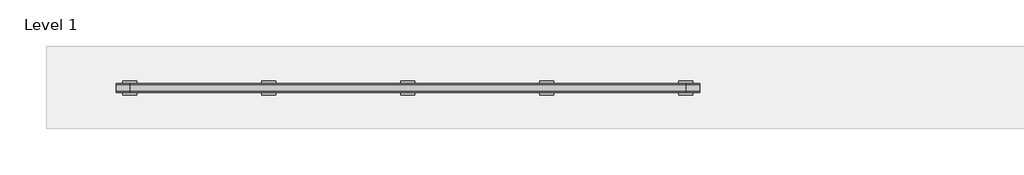
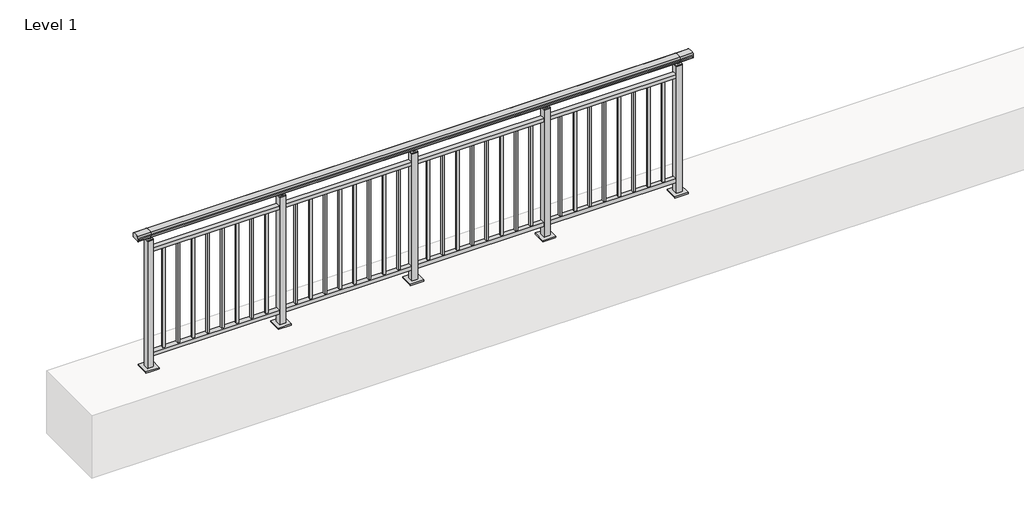
# One storey, part 8 of 64: 1 railing.
"""IFC4 building model written with IfcOpenShell, lengths in millimetres."""

from ifc_helpers import new_model, si_unit, frame, origin, origin_with_axes, place, context, project, spatial, polyline, circle_curve, outline, extrude, element, save
from ifc_brep_helpers import plane_surface, cylinder_surface, revolved_surface, advanced_brep

model = new_model("IFC4")

# Units and contexts
model_context = context("Model", 3, world=origin())
ifc_project = project(units=[si_unit("LENGTHUNIT", "METRE", prefix="MILLI")], contexts=[model_context])

# Site, building, storey
site = spatial("IfcSite", under=ifc_project)
building = spatial("IfcBuilding", under=site)
storey = spatial("IfcBuildingStorey", under=building, Name="Level 1", Elevation=0.0)

# Railing
placement = place(None, origin())
element("IfcRailing", 1, at=placement, inside=storey, context=model_context, shape_type="SolidModel", body=[
    advanced_brep(
    [(-100.0, 7715.3633756, 1095.6691182), (-100.0, 7720.1846828, 1081.1334092), (-100.0, 7719.2413744, 1069.2539035), (-100.0, 7721.1364177, 1061.4863007), (-100.0, 7719.4894799, 1060.384124), (-100.0, 7719.4894799, 1062.0), (-100.0, 7660.8798858, 1062.0), (-100.0, 7660.8798858, 1060.384124), (-100.0, 7659.232948, 1061.4863007), (-100.0, 7661.1279912, 1069.2539035), (-100.0, 7660.1846828, 1081.1334092), (-100.0, 7665.00599, 1095.6691182), (4100.0, 7715.3633756, 1095.6691182), (4100.0, 7665.00599, 1095.6691182), (4100.0, 7660.1846828, 1081.1334092), (4100.0, 7661.1279912, 1069.2539035), (4100.0, 7659.232948, 1061.4863007), (4100.0, 7660.8798858, 1060.384124), (4100.0, 7660.8798858, 1062.0), (4100.0, 7719.4894799, 1062.0), (4100.0, 7719.4894799, 1060.384124), (4100.0, 7721.1364177, 1061.4863007), (4100.0, 7719.2413744, 1069.2539035), (4100.0, 7720.1846828, 1081.1334092), (0.0, 7715.3633756, 1095.6691182), (0.0, 7720.1846828, 1081.1334092), (0.0, 7719.2413744, 1069.2539035), (0.0, 7721.1364177, 1061.4863007), (0.0, 7719.4894799, 1060.384124), (0.0, 7719.4894799, 1062.0), (0.0, 7660.8798858, 1062.0), (0.0, 7660.8798858, 1060.384124), (0.0, 7659.232948, 1061.4863007), (0.0, 7661.1279912, 1069.2539035), (0.0, 7660.1846828, 1081.1334092), (0.0, 7665.00599, 1095.6691182), (4000.0, 7715.3633756, 1095.6691182), (4000.0, 7720.1846828, 1081.1334092), (4000.0, 7719.2413744, 1069.2539035), (4000.0, 7721.1364177, 1061.4863007), (4000.0, 7719.4894799, 1060.384124), (4000.0, 7719.4894799, 1062.0), (4000.0, 7660.8798858, 1062.0), (4000.0, 7660.8798858, 1060.384124), (4000.0, 7659.232948, 1061.4863007), (4000.0, 7661.1279912, 1069.2539035), (4000.0, 7660.1846828, 1081.1334092), (4000.0, 7665.00599, 1095.6691182)],
    [
        (0, 1, circle_curve(frame((-100.0, 7712.1223845, 1086.526686), z_axis=(-1.0, 0.0, 0.0), x_axis=(0.0, -1.0, 0.0)), 9.6999015)),
        (1, 2, circle_curve(frame((-100.0, 7737.7252545, 1073.7633709), z_axis=(1.0, 0.0, 0.0), x_axis=(0.0, -1.0, 0.0)), 19.0260117)),
        (2, 3),
        (3, 4, circle_curve(frame((-100.0, 7720.2772073, 1060.9886194), z_axis=(-1.0, 0.0, 0.0), x_axis=(0.0, -1.0, 0.0)), 0.9929396)),
        (4, 5),
        (5, 6),
        (6, 7),
        (7, 8, circle_curve(frame((-100.0, 7660.0921584, 1060.9886194), z_axis=(-1.0, 0.0, 0.0), x_axis=(0.0, 1.0, 0.0)), 0.9929396)),
        (8, 9),
        (9, 10, circle_curve(frame((-100.0, 7642.6441111, 1073.7633709), z_axis=(1.0, 0.0, 0.0), x_axis=(0.0, 1.0, 0.0)), 19.0260117)),
        (10, 11, circle_curve(frame((-100.0, 7668.2469812, 1086.526686), z_axis=(-1.0, 0.0, 0.0), x_axis=(0.0, 1.0, 0.0)), 9.6999015)),
        (11, 0, circle_curve(frame((-100.0, 7690.1846828, 1024.6431628), z_axis=(-1.0, 0.0, 0.0), x_axis=(0.0, 1.0, 0.0)), 75.3568372)),
        (12, 13, circle_curve(frame((4100.0, 7690.1846828, 1024.6431628), z_axis=(1.0, 0.0, 0.0), x_axis=(0.0, 1.0, 0.0)), 75.3568372)),
        (13, 14, circle_curve(frame((4100.0, 7668.2469812, 1086.526686), z_axis=(1.0, 0.0, 0.0), x_axis=(0.0, 1.0, 0.0)), 9.6999015)),
        (14, 15, circle_curve(frame((4100.0, 7642.6441111, 1073.7633709), z_axis=(-1.0, 0.0, 0.0), x_axis=(0.0, 1.0, 0.0)), 19.0260117)),
        (15, 16),
        (16, 17, circle_curve(frame((4100.0, 7660.0921584, 1060.9886194), z_axis=(1.0, 0.0, 0.0), x_axis=(0.0, 1.0, 0.0)), 0.9929396)),
        (17, 18),
        (18, 19),
        (19, 20),
        (20, 21, circle_curve(frame((4100.0, 7720.2772073, 1060.9886194), z_axis=(1.0, 0.0, 0.0), x_axis=(0.0, -1.0, 0.0)), 0.9929396)),
        (21, 22),
        (22, 23, circle_curve(frame((4100.0, 7737.7252545, 1073.7633709), z_axis=(-1.0, 0.0, 0.0), x_axis=(0.0, -1.0, 0.0)), 19.0260117)),
        (23, 12, circle_curve(frame((4100.0, 7712.1223845, 1086.526686), z_axis=(1.0, 0.0, 0.0), x_axis=(0.0, -1.0, 0.0)), 9.6999015)),
        (0, 24),
        (24, 25, circle_curve(frame((0.0, 7712.1223845, 1086.526686), z_axis=(-1.0, 0.0, 0.0), x_axis=(0.0, -1.0, 0.0)), 9.6999015)),
        (25, 1),
        (25, 26, circle_curve(frame((0.0, 7737.7252545, 1073.7633709), z_axis=(1.0, 0.0, 0.0), x_axis=(0.0, -1.0, 0.0)), 19.0260117)),
        (26, 2),
        (26, 27),
        (27, 3),
        (27, 28, circle_curve(frame((0.0, 7720.2772073, 1060.9886194), z_axis=(-1.0, 0.0, 0.0), x_axis=(0.0, -1.0, 0.0)), 0.9929396)),
        (28, 4),
        (28, 29),
        (29, 5),
        (29, 30),
        (30, 6),
        (30, 31),
        (31, 7),
        (31, 32, circle_curve(frame((0.0, 7660.0921584, 1060.9886194), z_axis=(-1.0, 0.0, 0.0), x_axis=(0.0, 1.0, 0.0)), 0.9929396)),
        (32, 8),
        (32, 33),
        (33, 9),
        (33, 34, circle_curve(frame((0.0, 7642.6441111, 1073.7633709), z_axis=(1.0, 0.0, 0.0), x_axis=(0.0, 1.0, 0.0)), 19.0260117)),
        (34, 10),
        (34, 35, circle_curve(frame((0.0, 7668.2469812, 1086.526686), z_axis=(-1.0, 0.0, 0.0), x_axis=(0.0, 1.0, 0.0)), 9.6999015)),
        (35, 11),
        (35, 24, circle_curve(frame((0.0, 7690.1846828, 1024.6431628), z_axis=(-1.0, 0.0, 0.0), x_axis=(0.0, 1.0, 0.0)), 75.3568372)),
        (24, 36),
        (36, 37, circle_curve(frame((4000.0, 7712.1223845, 1086.526686), z_axis=(-1.0, 0.0, 0.0), x_axis=(0.0, -1.0, 0.0)), 9.6999015)),
        (37, 25),
        (37, 38, circle_curve(frame((4000.0, 7737.7252545, 1073.7633709), z_axis=(1.0, 0.0, 0.0), x_axis=(0.0, -1.0, 0.0)), 19.0260117)),
        (38, 26),
        (38, 39),
        (39, 27),
        (39, 40, circle_curve(frame((4000.0, 7720.2772073, 1060.9886194), z_axis=(-1.0, 0.0, 0.0), x_axis=(0.0, -1.0, 0.0)), 0.9929396)),
        (40, 28),
        (40, 41),
        (41, 29),
        (41, 42),
        (42, 30),
        (42, 43),
        (43, 31),
        (43, 44, circle_curve(frame((4000.0, 7660.0921584, 1060.9886194), z_axis=(-1.0, 0.0, 0.0), x_axis=(0.0, 1.0, 0.0)), 0.9929396)),
        (44, 32),
        (44, 45),
        (45, 33),
        (45, 46, circle_curve(frame((4000.0, 7642.6441111, 1073.7633709), z_axis=(1.0, 0.0, 0.0), x_axis=(0.0, 1.0, 0.0)), 19.0260117)),
        (46, 34),
        (46, 47, circle_curve(frame((4000.0, 7668.2469812, 1086.526686), z_axis=(-1.0, 0.0, 0.0), x_axis=(0.0, 1.0, 0.0)), 9.6999015)),
        (47, 35),
        (47, 36, circle_curve(frame((4000.0, 7690.1846828, 1024.6431628), z_axis=(-1.0, 0.0, 0.0), x_axis=(0.0, 1.0, 0.0)), 75.3568372)),
        (36, 12),
        (23, 37),
        (22, 38),
        (21, 39),
        (20, 40),
        (19, 41),
        (18, 42),
        (17, 43),
        (16, 44),
        (15, 45),
        (14, 46),
        (13, 47),
    ],
    [
        plane_surface(frame((-100.0, 7690.1846828, 1100.0), z_axis=(-1.0, 0.0, 0.0), x_axis=(0.0, 1.0, 0.0))),
        plane_surface(frame((4100.0, 7690.1846828, 1100.0), z_axis=(1.0, 0.0, 0.0), x_axis=(0.0, 1.0, 0.0))),
        cylinder_surface(frame((-100.0, 7712.1223845, 1086.526686), z_axis=(-1.0, 0.0, 0.0), x_axis=(0.0, -1.0, 0.0)), 9.6999015),
        revolved_surface(polyline([(0.0, 7718.6992428, 1073.7633709), (-100.0, 7718.6992428, 1073.7633709)]), (-100.0, 7737.7252545, 1073.7633709), (1.0, 0.0, 0.0)),
        plane_surface(frame((-100.0, 7719.2413744, 1069.2539035), z_axis=(0.0, 0.9715057689301543, 0.2370159086125439), x_axis=(1.0, 0.0, 0.0))),
        cylinder_surface(frame((-100.0, 7720.2772073, 1060.9886194), z_axis=(-1.0, 0.0, 0.0), x_axis=(0.0, -1.0, 0.0)), 0.9929396),
        plane_surface(frame((-100.0, 7719.4894799, 1060.384124), z_axis=(0.0, -1.0, 0.0), x_axis=(1.0, 0.0, 0.0))),
        plane_surface(frame((-100.0, 7719.4894799, 1062.0), z_axis=(0.0, 0.0, -1.0), x_axis=(1.0, 0.0, 0.0))),
        plane_surface(frame((-100.0, 7660.8798858, 1062.0), z_axis=(0.0, 1.0, 0.0), x_axis=(1.0, 0.0, 0.0))),
        cylinder_surface(frame((-100.0, 7660.0921584, 1060.9886194), z_axis=(-1.0, 0.0, 0.0), x_axis=(0.0, 1.0, 0.0)), 0.9929396),
        plane_surface(frame((-100.0, 7659.232948, 1061.4863007), z_axis=(0.0, -0.9715057689301543, 0.2370159086125439), x_axis=(1.0, 0.0, 0.0))),
        revolved_surface(polyline([(0.0, 7661.6701228, 1073.7633709), (-100.0, 7661.6701228, 1073.7633709)]), (-100.0, 7642.6441111, 1073.7633709), (1.0, 0.0, 0.0)),
        cylinder_surface(frame((-100.0, 7668.2469812, 1086.526686), z_axis=(-1.0, 0.0, 0.0), x_axis=(0.0, 1.0, 0.0)), 9.6999015),
        cylinder_surface(frame((-100.0, 7690.1846828, 1024.6431628), z_axis=(-1.0, 0.0, 0.0), x_axis=(0.0, 1.0, 0.0)), 75.3568372),
        cylinder_surface(frame((0.0, 7712.1223845, 1086.526686), z_axis=(-1.0, 0.0, 0.0), x_axis=(0.0, -1.0, 0.0)), 9.6999015),
        revolved_surface(polyline([(4000.0, 7718.6992428, 1073.7633709), (0.0, 7718.6992428, 1073.7633709)]), (0.0, 7737.7252545, 1073.7633709), (1.0, 0.0, 0.0)),
        plane_surface(frame((0.0, 7719.2413744, 1069.2539035), z_axis=(0.0, 0.9715057689301543, 0.2370159086125439), x_axis=(1.0, 0.0, 0.0))),
        cylinder_surface(frame((0.0, 7720.2772073, 1060.9886194), z_axis=(-1.0, 0.0, 0.0), x_axis=(0.0, -1.0, 0.0)), 0.9929396),
        plane_surface(frame((0.0, 7719.4894799, 1060.384124), z_axis=(0.0, -1.0, 0.0), x_axis=(1.0, 0.0, 0.0))),
        plane_surface(frame((0.0, 7719.4894799, 1062.0), z_axis=(0.0, 0.0, -1.0), x_axis=(1.0, 0.0, 0.0))),
        plane_surface(frame((0.0, 7660.8798858, 1062.0), z_axis=(0.0, 1.0, 0.0), x_axis=(1.0, 0.0, 0.0))),
        cylinder_surface(frame((0.0, 7660.0921584, 1060.9886194), z_axis=(-1.0, 0.0, 0.0), x_axis=(0.0, 1.0, 0.0)), 0.9929396),
        plane_surface(frame((0.0, 7659.232948, 1061.4863007), z_axis=(0.0, -0.9715057689301543, 0.2370159086125439), x_axis=(1.0, 0.0, 0.0))),
        revolved_surface(polyline([(4000.0, 7661.6701228, 1073.7633709), (0.0, 7661.6701228, 1073.7633709)]), (0.0, 7642.6441111, 1073.7633709), (1.0, 0.0, 0.0)),
        cylinder_surface(frame((0.0, 7668.2469812, 1086.526686), z_axis=(-1.0, 0.0, 0.0), x_axis=(0.0, 1.0, 0.0)), 9.6999015),
        cylinder_surface(frame((0.0, 7690.1846828, 1024.6431628), z_axis=(-1.0, 0.0, 0.0), x_axis=(0.0, 1.0, 0.0)), 75.3568372),
        cylinder_surface(frame((4000.0, 7712.1223845, 1086.526686), z_axis=(-1.0, 0.0, 0.0), x_axis=(0.0, -1.0, 0.0)), 9.6999015),
        revolved_surface(polyline([(4100.0, 7718.6992428, 1073.7633709), (4000.0, 7718.6992428, 1073.7633709)]), (4000.0, 7737.7252545, 1073.7633709), (1.0, 0.0, 0.0)),
        plane_surface(frame((4000.0, 7719.2413744, 1069.2539035), z_axis=(0.0, 0.9715057689301543, 0.2370159086125439), x_axis=(1.0, 0.0, 0.0))),
        cylinder_surface(frame((4000.0, 7720.2772073, 1060.9886194), z_axis=(-1.0, 0.0, 0.0), x_axis=(0.0, -1.0, 0.0)), 0.9929396),
        plane_surface(frame((4000.0, 7719.4894799, 1060.384124), z_axis=(0.0, -1.0, 0.0), x_axis=(1.0, 0.0, 0.0))),
        plane_surface(frame((4000.0, 7719.4894799, 1062.0), z_axis=(0.0, 0.0, -1.0), x_axis=(1.0, 0.0, 0.0))),
        plane_surface(frame((4000.0, 7660.8798858, 1062.0), z_axis=(0.0, 1.0, 0.0), x_axis=(1.0, 0.0, 0.0))),
        cylinder_surface(frame((4000.0, 7660.0921584, 1060.9886194), z_axis=(-1.0, 0.0, 0.0), x_axis=(0.0, 1.0, 0.0)), 0.9929396),
        plane_surface(frame((4000.0, 7659.232948, 1061.4863007), z_axis=(0.0, -0.9715057689301543, 0.2370159086125439), x_axis=(1.0, 0.0, 0.0))),
        revolved_surface(polyline([(4100.0, 7661.6701228, 1073.7633709), (4000.0, 7661.6701228, 1073.7633709)]), (4000.0, 7642.6441111, 1073.7633709), (1.0, 0.0, 0.0)),
        cylinder_surface(frame((4000.0, 7668.2469812, 1086.526686), z_axis=(-1.0, 0.0, 0.0), x_axis=(0.0, 1.0, 0.0)), 9.6999015),
        cylinder_surface(frame((4000.0, 7690.1846828, 1024.6431628), z_axis=(-1.0, 0.0, 0.0), x_axis=(0.0, 1.0, 0.0)), 75.3568372),
    ],
    [
        (0, [[1, 2, 3, 4, 5, 6, 7, 8, 9, 10, 11, 12]]),
        (1, [[13, 14, 15, 16, 17, 18, 19, 20, 21, 22, 23, 24]]),
        (2, [[-1, 25, 26, 27]]),
        (3, [[-2, -27, 28, 29]]),
        (4, [[-3, -29, 30, 31]]),
        (5, [[-4, -31, 32, 33]]),
        (6, [[-5, -33, 34, 35]]),
        (7, [[-6, -35, 36, 37]]),
        (8, [[-7, -37, 38, 39]]),
        (9, [[-8, -39, 40, 41]]),
        (10, [[-9, -41, 42, 43]]),
        (11, [[-10, -43, 44, 45]]),
        (12, [[-11, -45, 46, 47]]),
        (13, [[-12, -47, 48, -25]]),
        (14, [[-26, 49, 50, 51]]),
        (15, [[-28, -51, 52, 53]]),
        (16, [[-30, -53, 54, 55]]),
        (17, [[-32, -55, 56, 57]]),
        (18, [[-34, -57, 58, 59]]),
        (19, [[-36, -59, 60, 61]]),
        (20, [[-38, -61, 62, 63]]),
        (21, [[-40, -63, 64, 65]]),
        (22, [[-42, -65, 66, 67]]),
        (23, [[-44, -67, 68, 69]]),
        (24, [[-46, -69, 70, 71]]),
        (25, [[-48, -71, 72, -49]]),
        (26, [[-50, 73, -24, 74]]),
        (27, [[-52, -74, -23, 75]]),
        (28, [[-54, -75, -22, 76]]),
        (29, [[-56, -76, -21, 77]]),
        (30, [[-58, -77, -20, 78]]),
        (31, [[-60, -78, -19, 79]]),
        (32, [[-62, -79, -18, 80]]),
        (33, [[-64, -80, -17, 81]]),
        (34, [[-66, -81, -16, 82]]),
        (35, [[-68, -82, -15, 83]]),
        (36, [[-70, -83, -14, 84]]),
        (37, [[-72, -84, -13, -73]]),
    ],
),
    extrude(outline(polyline([(0.0, 7672.6846828), (0.0, 7707.6846828), (4000.0, 7707.6846828), (4000.0, 7672.6846828), (0.0, 7672.6846828)])), frame((0.0, 0.0, 930.0), z_axis=(0.0, 0.0, 1.0), x_axis=(1.0, 0.0, 0.0)), (0.0, 0.0, 1.0), 30.0),
    extrude(outline(polyline([(0.0, 7672.6846828), (0.0, 7707.6846828), (4000.0, 7707.6846828), (4000.0, 7672.6846828), (0.0, 7672.6846828)])), frame((0.0, 0.0, 95.0), z_axis=(0.0, 0.0, 1.0), x_axis=(1.0, 0.0, 0.0)), (0.0, 0.0, 1.0), 30.0),
    extrude(outline(polyline([(3897.3888889, 7698.6846828), (3897.3888889, 7681.6846828), (3880.3888889, 7681.6846828), (3880.3888889, 7698.6846828), (3897.3888889, 7698.6846828)])), frame((0.0, 0.0, 125.0), z_axis=(0.0, 0.0, 1.0), x_axis=(1.0, 0.0, 0.0)), (0.0, 0.0, 1.0), 805.0),
    extrude(outline(polyline([(3786.2777778, 7698.6846828), (3786.2777778, 7681.6846828), (3769.2777778, 7681.6846828), (3769.2777778, 7698.6846828), (3786.2777778, 7698.6846828)])), frame((0.0, 0.0, 125.0), z_axis=(0.0, 0.0, 1.0), x_axis=(1.0, 0.0, 0.0)), (0.0, 0.0, 1.0), 805.0),
    extrude(outline(polyline([(3675.1666667, 7698.6846828), (3675.1666667, 7681.6846828), (3658.1666667, 7681.6846828), (3658.1666667, 7698.6846828), (3675.1666667, 7698.6846828)])), frame((0.0, 0.0, 125.0), z_axis=(0.0, 0.0, 1.0), x_axis=(1.0, 0.0, 0.0)), (0.0, 0.0, 1.0), 805.0),
    extrude(outline(polyline([(3564.0555556, 7698.6846828), (3564.0555556, 7681.6846828), (3547.0555556, 7681.6846828), (3547.0555556, 7698.6846828), (3564.0555556, 7698.6846828)])), frame((0.0, 0.0, 125.0), z_axis=(0.0, 0.0, 1.0), x_axis=(1.0, 0.0, 0.0)), (0.0, 0.0, 1.0), 805.0),
    extrude(outline(polyline([(3452.9444444, 7698.6846828), (3452.9444444, 7681.6846828), (3435.9444444, 7681.6846828), (3435.9444444, 7698.6846828), (3452.9444444, 7698.6846828)])), frame((0.0, 0.0, 125.0), z_axis=(0.0, 0.0, 1.0), x_axis=(1.0, 0.0, 0.0)), (0.0, 0.0, 1.0), 805.0),
    extrude(outline(polyline([(3341.8333333, 7698.6846828), (3341.8333333, 7681.6846828), (3324.8333333, 7681.6846828), (3324.8333333, 7698.6846828), (3341.8333333, 7698.6846828)])), frame((0.0, 0.0, 125.0), z_axis=(0.0, 0.0, 1.0), x_axis=(1.0, 0.0, 0.0)), (0.0, 0.0, 1.0), 805.0),
    extrude(outline(polyline([(3230.7222222, 7698.6846828), (3230.7222222, 7681.6846828), (3213.7222222, 7681.6846828), (3213.7222222, 7698.6846828), (3230.7222222, 7698.6846828)])), frame((0.0, 0.0, 125.0), z_axis=(0.0, 0.0, 1.0), x_axis=(1.0, 0.0, 0.0)), (0.0, 0.0, 1.0), 805.0),
    extrude(outline(polyline([(3119.6111111, 7698.6846828), (3119.6111111, 7681.6846828), (3102.6111111, 7681.6846828), (3102.6111111, 7698.6846828), (3119.6111111, 7698.6846828)])), frame((0.0, 0.0, 125.0), z_axis=(0.0, 0.0, 1.0), x_axis=(1.0, 0.0, 0.0)), (0.0, 0.0, 1.0), 805.0),
    extrude(outline(polyline([(3010.0, 7680.1846828), (2990.0, 7680.1846828), (2990.0, 7700.1846828), (3010.0, 7700.1846828), (3010.0, 7680.1846828)])), frame((0.0, 0.0, 1035.0), z_axis=(0.0, 0.0, 1.0), x_axis=(1.0, 0.0, 0.0)), (0.0, 0.0, 1.0), 20.0),
    extrude(outline(polyline([(3022.5, 7667.6846828), (2977.5, 7667.6846828), (2977.5, 7712.6846828), (3022.5, 7712.6846828), (3022.5, 7667.6846828)])), frame((0.0, 0.0, 1027.0), z_axis=(0.0, 0.0, 1.0), x_axis=(1.0, 0.0, 0.0)), (0.0, 0.0, 1.0), 8.0),
    extrude(outline(polyline([(3050.0, 7640.1846828), (2950.0, 7640.1846828), (2950.0, 7740.1846828), (3050.0, 7740.1846828), (3050.0, 7640.1846828)])), origin_with_axes(), (0.0, 0.0, 1.0), 12.0),
    extrude(outline(polyline([(3022.5, 7667.6846828), (2977.5, 7667.6846828), (2977.5, 7712.6846828), (3022.5, 7712.6846828), (3022.5, 7667.6846828)])), frame((0.0, 0.0, 12.0), z_axis=(0.0, 0.0, 1.0), x_axis=(1.0, 0.0, 0.0)), (0.0, 0.0, 1.0), 1015.0),
    extrude(outline(polyline([(2897.3888889, 7698.6846828), (2897.3888889, 7681.6846828), (2880.3888889, 7681.6846828), (2880.3888889, 7698.6846828), (2897.3888889, 7698.6846828)])), frame((0.0, 0.0, 125.0), z_axis=(0.0, 0.0, 1.0), x_axis=(1.0, 0.0, 0.0)), (0.0, 0.0, 1.0), 805.0),
    extrude(outline(polyline([(2786.2777778, 7698.6846828), (2786.2777778, 7681.6846828), (2769.2777778, 7681.6846828), (2769.2777778, 7698.6846828), (2786.2777778, 7698.6846828)])), frame((0.0, 0.0, 125.0), z_axis=(0.0, 0.0, 1.0), x_axis=(1.0, 0.0, 0.0)), (0.0, 0.0, 1.0), 805.0),
    extrude(outline(polyline([(2675.1666667, 7698.6846828), (2675.1666667, 7681.6846828), (2658.1666667, 7681.6846828), (2658.1666667, 7698.6846828), (2675.1666667, 7698.6846828)])), frame((0.0, 0.0, 125.0), z_axis=(0.0, 0.0, 1.0), x_axis=(1.0, 0.0, 0.0)), (0.0, 0.0, 1.0), 805.0),
    extrude(outline(polyline([(2564.0555556, 7698.6846828), (2564.0555556, 7681.6846828), (2547.0555556, 7681.6846828), (2547.0555556, 7698.6846828), (2564.0555556, 7698.6846828)])), frame((0.0, 0.0, 125.0), z_axis=(0.0, 0.0, 1.0), x_axis=(1.0, 0.0, 0.0)), (0.0, 0.0, 1.0), 805.0),
    extrude(outline(polyline([(2452.9444444, 7698.6846828), (2452.9444444, 7681.6846828), (2435.9444444, 7681.6846828), (2435.9444444, 7698.6846828), (2452.9444444, 7698.6846828)])), frame((0.0, 0.0, 125.0), z_axis=(0.0, 0.0, 1.0), x_axis=(1.0, 0.0, 0.0)), (0.0, 0.0, 1.0), 805.0),
    extrude(outline(polyline([(2341.8333333, 7698.6846828), (2341.8333333, 7681.6846828), (2324.8333333, 7681.6846828), (2324.8333333, 7698.6846828), (2341.8333333, 7698.6846828)])), frame((0.0, 0.0, 125.0), z_axis=(0.0, 0.0, 1.0), x_axis=(1.0, 0.0, 0.0)), (0.0, 0.0, 1.0), 805.0),
    extrude(outline(polyline([(2230.7222222, 7698.6846828), (2230.7222222, 7681.6846828), (2213.7222222, 7681.6846828), (2213.7222222, 7698.6846828), (2230.7222222, 7698.6846828)])), frame((0.0, 0.0, 125.0), z_axis=(0.0, 0.0, 1.0), x_axis=(1.0, 0.0, 0.0)), (0.0, 0.0, 1.0), 805.0),
    extrude(outline(polyline([(2119.6111111, 7698.6846828), (2119.6111111, 7681.6846828), (2102.6111111, 7681.6846828), (2102.6111111, 7698.6846828), (2119.6111111, 7698.6846828)])), frame((0.0, 0.0, 125.0), z_axis=(0.0, 0.0, 1.0), x_axis=(1.0, 0.0, 0.0)), (0.0, 0.0, 1.0), 805.0),
    extrude(outline(polyline([(2010.0, 7680.1846828), (1990.0, 7680.1846828), (1990.0, 7700.1846828), (2010.0, 7700.1846828), (2010.0, 7680.1846828)])), frame((0.0, 0.0, 1035.0), z_axis=(0.0, 0.0, 1.0), x_axis=(1.0, 0.0, 0.0)), (0.0, 0.0, 1.0), 20.0),
    extrude(outline(polyline([(2022.5, 7667.6846828), (1977.5, 7667.6846828), (1977.5, 7712.6846828), (2022.5, 7712.6846828), (2022.5, 7667.6846828)])), frame((0.0, 0.0, 1027.0), z_axis=(0.0, 0.0, 1.0), x_axis=(1.0, 0.0, 0.0)), (0.0, 0.0, 1.0), 8.0),
    extrude(outline(polyline([(2050.0, 7640.1846828), (1950.0, 7640.1846828), (1950.0, 7740.1846828), (2050.0, 7740.1846828), (2050.0, 7640.1846828)])), origin_with_axes(), (0.0, 0.0, 1.0), 12.0),
    extrude(outline(polyline([(2022.5, 7667.6846828), (1977.5, 7667.6846828), (1977.5, 7712.6846828), (2022.5, 7712.6846828), (2022.5, 7667.6846828)])), frame((0.0, 0.0, 12.0), z_axis=(0.0, 0.0, 1.0), x_axis=(1.0, 0.0, 0.0)), (0.0, 0.0, 1.0), 1015.0),
    extrude(outline(polyline([(1897.3888889, 7698.6846828), (1897.3888889, 7681.6846828), (1880.3888889, 7681.6846828), (1880.3888889, 7698.6846828), (1897.3888889, 7698.6846828)])), frame((0.0, 0.0, 125.0), z_axis=(0.0, 0.0, 1.0), x_axis=(1.0, 0.0, 0.0)), (0.0, 0.0, 1.0), 805.0),
    extrude(outline(polyline([(1786.2777778, 7698.6846828), (1786.2777778, 7681.6846828), (1769.2777778, 7681.6846828), (1769.2777778, 7698.6846828), (1786.2777778, 7698.6846828)])), frame((0.0, 0.0, 125.0), z_axis=(0.0, 0.0, 1.0), x_axis=(1.0, 0.0, 0.0)), (0.0, 0.0, 1.0), 805.0),
    extrude(outline(polyline([(1675.1666667, 7698.6846828), (1675.1666667, 7681.6846828), (1658.1666667, 7681.6846828), (1658.1666667, 7698.6846828), (1675.1666667, 7698.6846828)])), frame((0.0, 0.0, 125.0), z_axis=(0.0, 0.0, 1.0), x_axis=(1.0, 0.0, 0.0)), (0.0, 0.0, 1.0), 805.0),
    extrude(outline(polyline([(1564.0555556, 7698.6846828), (1564.0555556, 7681.6846828), (1547.0555556, 7681.6846828), (1547.0555556, 7698.6846828), (1564.0555556, 7698.6846828)])), frame((0.0, 0.0, 125.0), z_axis=(0.0, 0.0, 1.0), x_axis=(1.0, 0.0, 0.0)), (0.0, 0.0, 1.0), 805.0),
    extrude(outline(polyline([(1452.9444444, 7698.6846828), (1452.9444444, 7681.6846828), (1435.9444444, 7681.6846828), (1435.9444444, 7698.6846828), (1452.9444444, 7698.6846828)])), frame((0.0, 0.0, 125.0), z_axis=(0.0, 0.0, 1.0), x_axis=(1.0, 0.0, 0.0)), (0.0, 0.0, 1.0), 805.0),
    extrude(outline(polyline([(1341.8333333, 7698.6846828), (1341.8333333, 7681.6846828), (1324.8333333, 7681.6846828), (1324.8333333, 7698.6846828), (1341.8333333, 7698.6846828)])), frame((0.0, 0.0, 125.0), z_axis=(0.0, 0.0, 1.0), x_axis=(1.0, 0.0, 0.0)), (0.0, 0.0, 1.0), 805.0),
    extrude(outline(polyline([(1230.7222222, 7698.6846828), (1230.7222222, 7681.6846828), (1213.7222222, 7681.6846828), (1213.7222222, 7698.6846828), (1230.7222222, 7698.6846828)])), frame((0.0, 0.0, 125.0), z_axis=(0.0, 0.0, 1.0), x_axis=(1.0, 0.0, 0.0)), (0.0, 0.0, 1.0), 805.0),
    extrude(outline(polyline([(1119.6111111, 7698.6846828), (1119.6111111, 7681.6846828), (1102.6111111, 7681.6846828), (1102.6111111, 7698.6846828), (1119.6111111, 7698.6846828)])), frame((0.0, 0.0, 125.0), z_axis=(0.0, 0.0, 1.0), x_axis=(1.0, 0.0, 0.0)), (0.0, 0.0, 1.0), 805.0),
    extrude(outline(polyline([(1010.0, 7680.1846828), (990.0, 7680.1846828), (990.0, 7700.1846828), (1010.0, 7700.1846828), (1010.0, 7680.1846828)])), frame((0.0, 0.0, 1035.0), z_axis=(0.0, 0.0, 1.0), x_axis=(1.0, 0.0, 0.0)), (0.0, 0.0, 1.0), 20.0),
    extrude(outline(polyline([(1022.5, 7667.6846828), (977.5, 7667.6846828), (977.5, 7712.6846828), (1022.5, 7712.6846828), (1022.5, 7667.6846828)])), frame((0.0, 0.0, 1027.0), z_axis=(0.0, 0.0, 1.0), x_axis=(1.0, 0.0, 0.0)), (0.0, 0.0, 1.0), 8.0),
    extrude(outline(polyline([(1050.0, 7640.1846828), (950.0, 7640.1846828), (950.0, 7740.1846828), (1050.0, 7740.1846828), (1050.0, 7640.1846828)])), origin_with_axes(), (0.0, 0.0, 1.0), 12.0),
    extrude(outline(polyline([(1022.5, 7667.6846828), (977.5, 7667.6846828), (977.5, 7712.6846828), (1022.5, 7712.6846828), (1022.5, 7667.6846828)])), frame((0.0, 0.0, 12.0), z_axis=(0.0, 0.0, 1.0), x_axis=(1.0, 0.0, 0.0)), (0.0, 0.0, 1.0), 1015.0),
    extrude(outline(polyline([(897.3888889, 7698.6846828), (897.3888889, 7681.6846828), (880.3888889, 7681.6846828), (880.3888889, 7698.6846828), (897.3888889, 7698.6846828)])), frame((0.0, 0.0, 125.0), z_axis=(0.0, 0.0, 1.0), x_axis=(1.0, 0.0, 0.0)), (0.0, 0.0, 1.0), 805.0),
    extrude(outline(polyline([(786.2777778, 7698.6846828), (786.2777778, 7681.6846828), (769.2777778, 7681.6846828), (769.2777778, 7698.6846828), (786.2777778, 7698.6846828)])), frame((0.0, 0.0, 125.0), z_axis=(0.0, 0.0, 1.0), x_axis=(1.0, 0.0, 0.0)), (0.0, 0.0, 1.0), 805.0),
    extrude(outline(polyline([(675.1666667, 7698.6846828), (675.1666667, 7681.6846828), (658.1666667, 7681.6846828), (658.1666667, 7698.6846828), (675.1666667, 7698.6846828)])), frame((0.0, 0.0, 125.0), z_axis=(0.0, 0.0, 1.0), x_axis=(1.0, 0.0, 0.0)), (0.0, 0.0, 1.0), 805.0),
    extrude(outline(polyline([(564.0555556, 7698.6846828), (564.0555556, 7681.6846828), (547.0555556, 7681.6846828), (547.0555556, 7698.6846828), (564.0555556, 7698.6846828)])), frame((0.0, 0.0, 125.0), z_axis=(0.0, 0.0, 1.0), x_axis=(1.0, 0.0, 0.0)), (0.0, 0.0, 1.0), 805.0),
    extrude(outline(polyline([(452.9444444, 7698.6846828), (452.9444444, 7681.6846828), (435.9444444, 7681.6846828), (435.9444444, 7698.6846828), (452.9444444, 7698.6846828)])), frame((0.0, 0.0, 125.0), z_axis=(0.0, 0.0, 1.0), x_axis=(1.0, 0.0, 0.0)), (0.0, 0.0, 1.0), 805.0),
    extrude(outline(polyline([(341.8333333, 7698.6846828), (341.8333333, 7681.6846828), (324.8333333, 7681.6846828), (324.8333333, 7698.6846828), (341.8333333, 7698.6846828)])), frame((0.0, 0.0, 125.0), z_axis=(0.0, 0.0, 1.0), x_axis=(1.0, 0.0, 0.0)), (0.0, 0.0, 1.0), 805.0),
    extrude(outline(polyline([(230.7222222, 7698.6846828), (230.7222222, 7681.6846828), (213.7222222, 7681.6846828), (213.7222222, 7698.6846828), (230.7222222, 7698.6846828)])), frame((0.0, 0.0, 125.0), z_axis=(0.0, 0.0, 1.0), x_axis=(1.0, 0.0, 0.0)), (0.0, 0.0, 1.0), 805.0),
    extrude(outline(polyline([(119.6111111, 7698.6846828), (119.6111111, 7681.6846828), (102.6111111, 7681.6846828), (102.6111111, 7698.6846828), (119.6111111, 7698.6846828)])), frame((0.0, 0.0, 125.0), z_axis=(0.0, 0.0, 1.0), x_axis=(1.0, 0.0, 0.0)), (0.0, 0.0, 1.0), 805.0),
    extrude(outline(polyline([(4010.0, 7680.1846828), (3990.0, 7680.1846828), (3990.0, 7700.1846828), (4010.0, 7700.1846828), (4010.0, 7680.1846828)])), frame((0.0, 0.0, 1035.0), z_axis=(0.0, 0.0, 1.0), x_axis=(1.0, 0.0, 0.0)), (0.0, 0.0, 1.0), 20.0),
    extrude(outline(polyline([(4022.5, 7667.6846828), (3977.5, 7667.6846828), (3977.5, 7712.6846828), (4022.5, 7712.6846828), (4022.5, 7667.6846828)])), frame((0.0, 0.0, 1027.0), z_axis=(0.0, 0.0, 1.0), x_axis=(1.0, 0.0, 0.0)), (0.0, 0.0, 1.0), 8.0),
    extrude(outline(polyline([(4050.0, 7640.1846828), (3950.0, 7640.1846828), (3950.0, 7740.1846828), (4050.0, 7740.1846828), (4050.0, 7640.1846828)])), origin_with_axes(), (0.0, 0.0, 1.0), 12.0),
    extrude(outline(polyline([(4022.5, 7667.6846828), (3977.5, 7667.6846828), (3977.5, 7712.6846828), (4022.5, 7712.6846828), (4022.5, 7667.6846828)])), frame((0.0, 0.0, 12.0), z_axis=(0.0, 0.0, 1.0), x_axis=(1.0, 0.0, 0.0)), (0.0, 0.0, 1.0), 1015.0),
    extrude(outline(polyline([(10.0, 7680.1846828), (-10.0, 7680.1846828), (-10.0, 7700.1846828), (10.0, 7700.1846828), (10.0, 7680.1846828)])), frame((0.0, 0.0, 1035.0), z_axis=(0.0, 0.0, 1.0), x_axis=(1.0, 0.0, 0.0)), (0.0, 0.0, 1.0), 20.0),
    extrude(outline(polyline([(22.5, 7667.6846828), (-22.5, 7667.6846828), (-22.5, 7712.6846828), (22.5, 7712.6846828), (22.5, 7667.6846828)])), frame((0.0, 0.0, 1027.0), z_axis=(0.0, 0.0, 1.0), x_axis=(1.0, 0.0, 0.0)), (0.0, 0.0, 1.0), 8.0),
    extrude(outline(polyline([(50.0, 7640.1846828), (-50.0, 7640.1846828), (-50.0, 7740.1846828), (50.0, 7740.1846828), (50.0, 7640.1846828)])), origin_with_axes(), (0.0, 0.0, 1.0), 12.0),
    extrude(outline(polyline([(22.5, 7667.6846828), (-22.5, 7667.6846828), (-22.5, 7712.6846828), (22.5, 7712.6846828), (22.5, 7667.6846828)])), frame((0.0, 0.0, 12.0), z_axis=(0.0, 0.0, 1.0), x_axis=(1.0, 0.0, 0.0)), (0.0, 0.0, 1.0), 1015.0),
])

save(model, "model.ifc")
